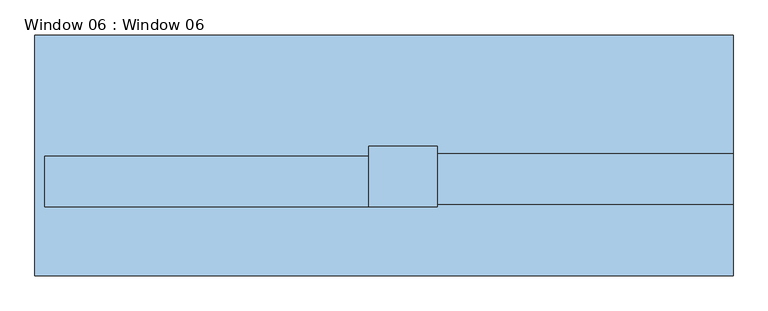
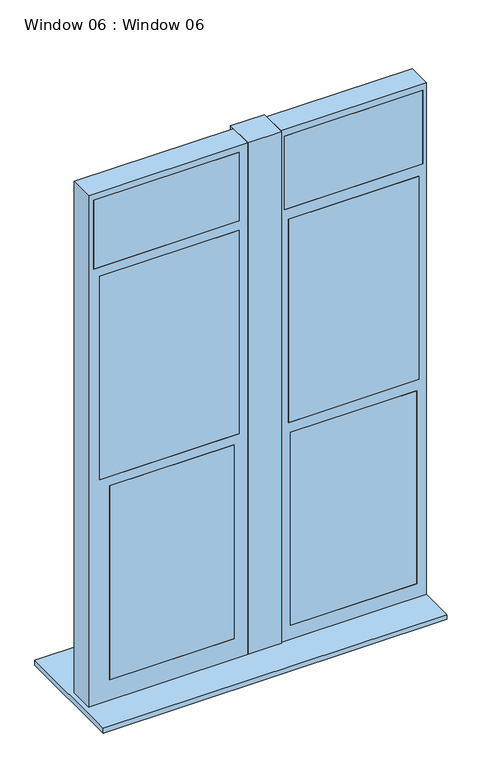
"""IFC4 building model written with IfcOpenShell, lengths in millimetres: window geometry, Window 06 : Window 06."""

from ifc_helpers import new_model, si_unit, frame, origin, place, context, project, spatial, polyline, outline, extrude, source, transform, mapped, element, save


def window_06_window_06_49c45df9(model_context):
    return source(origin(), model_context, "Body", "SweptSolid", [
        extrude(outline(polyline([(870.966, 317.5), (870.966, -292.1), (-896.366, -292.1), (-896.366, 317.5), (870.966, 317.5)])), frame((0.0, 0.0, 914.4), z_axis=(0.0, 0.0, 1.0), x_axis=(1.0, 0.0, 0.0)), (0.0, 0.0, 1.0), 25.4),
        extrude(outline(polyline([(851.916, -85.3583285), (851.916, -110.744), (140.716, -110.744), (140.716, -85.3583285), (851.916, -85.3583285)])), frame((0.0, 0.0, 3285.7054369), z_axis=(0.0, 0.0, 1.0), x_axis=(1.0, 0.0, 0.0)), (0.0, 0.0, 1.0), 399.0669591),
        extrude(outline(polyline([(832.866, -85.3583285), (832.866, -110.744), (159.766, -110.744), (159.766, -85.3583285), (832.866, -85.3583285)])), frame((0.0, 0.0, 2120.9), z_axis=(0.0, 0.0, 1.0), x_axis=(1.0, 0.0, 0.0)), (0.0, 0.0, 1.0), 1104.9),
        extrude(outline(polyline([(820.166, -85.3583285), (820.166, -110.744), (172.466, -110.744), (172.466, -85.3583285), (820.166, -85.3583285)])), frame((0.0, 0.0, 1016.0), z_axis=(0.0, 0.0, 1.0), x_axis=(1.0, 0.0, 0.0)), (0.0, 0.0, 1.0), 1047.75),
        extrude(outline(polyline([(121.666, 35.2916715), (121.666, -117.094), (-51.755028, -117.094), (-51.755028, 35.2916715), (121.666, 35.2916715)])), frame((0.0, 0.0, 939.8), z_axis=(0.0, 0.0, 1.0), x_axis=(1.0, 0.0, 0.0)), (0.0, 0.0, 1.0), 2779.776),
        extrude(outline(polyline([(3719.576, -870.966), (939.8, -870.966), (939.8, -51.755028), (3719.576, -51.755028), (3719.576, -870.966)]), holes=[polyline([(1050.0634673, -762.955028), (2104.6054369, -762.955028), (2104.6054369, -121.605028), (1050.0634673, -121.605028), (1050.0634673, -762.955028)]), polyline([(2155.4054369, -813.4936469), (3260.3054369, -813.4936469), (3260.3054369, -96.205028), (2155.4054369, -96.205028), (2155.4054369, -813.4936469)]), polyline([(3311.1054369, -845.505028), (3684.772396, -845.505028), (3684.772396, -96.205028), (3311.1054369, -96.205028), (3311.1054369, -845.505028)])]), frame((0.0, -117.094, 0.0), z_axis=(0.0, 1.0, 0.0), x_axis=(0.0, 0.0, 1.0)), (0.0, 0.0, 1.0), 126.9856715),
        extrude(outline(polyline([(-96.205028, -91.7083285), (-96.205028, -117.094), (-813.4936469, -117.094), (-813.4936469, -91.7083285), (-96.205028, -91.7083285)])), frame((0.0, 0.0, 2155.4054369), z_axis=(0.0, 0.0, 1.0), x_axis=(1.0, 0.0, 0.0)), (0.0, 0.0, 1.0), 1104.9),
        extrude(outline(polyline([(-121.605028, -91.7083285), (-121.605028, -117.094), (-762.955028, -117.094), (-762.955028, -91.7083285), (-121.605028, -91.7083285)])), frame((0.0, 0.0, 1050.0634673), z_axis=(0.0, 0.0, 1.0), x_axis=(1.0, 0.0, 0.0)), (0.0, 0.0, 1.0), 1054.5419697),
        extrude(outline(polyline([(-96.205028, -91.7083285), (-96.205028, -117.094), (-845.505028, -117.094), (-845.505028, -91.7083285), (-96.205028, -91.7083285)])), frame((0.0, 0.0, 3311.1054369), z_axis=(0.0, 0.0, 1.0), x_axis=(1.0, 0.0, 0.0)), (0.0, 0.0, 1.0), 373.6669591),
        extrude(outline(polyline([(3719.576, 121.666), (939.8, 121.666), (939.8, 870.966), (3719.576, 870.966), (3719.576, 121.666)]), holes=[polyline([(2063.75, 172.466), (2063.75, 820.166), (1016.0, 820.166), (1016.0, 172.466), (2063.75, 172.466)]), polyline([(2120.9, 159.766), (3225.8, 159.766), (3225.8, 832.866), (2120.9, 832.866), (2120.9, 159.766)]), polyline([(3285.7054369, 140.716), (3684.772396, 140.716), (3684.772396, 851.916), (3285.7054369, 851.916), (3285.7054369, 140.716)])]), frame((0.0, -110.744, 0.0), z_axis=(0.0, 1.0, 0.0), x_axis=(0.0, 0.0, 1.0)), (0.0, 0.0, 1.0), 126.9856715),
    ])


if __name__ == "__main__":
    model = new_model("IFC4")
    model_context = context("Model", 3, world=origin())
    ifc_project = project(units=[si_unit("LENGTHUNIT", "METRE", prefix="MILLI")], contexts=[model_context])
    site = spatial("IfcSite", under=ifc_project)
    building = spatial("IfcBuilding", under=site)
    placement = place(None, origin())
    window_06_window_06_shape = window_06_window_06_49c45df9(model_context)
    element("IfcWindow", 1, ObjectType="Window 06 : Window 06", at=placement, inside=building, context=model_context, shape_type="MappedRepresentation", body=[
        mapped(window_06_window_06_shape, transform((0.0, 0.0, 0.0), x_axis=(1.0, 0.0, 0.0), y_axis=(0.0, 1.0, 0.0), z_axis=(0.0, 0.0, 1.0))),
    ])
    save(model, "model.ifc")
